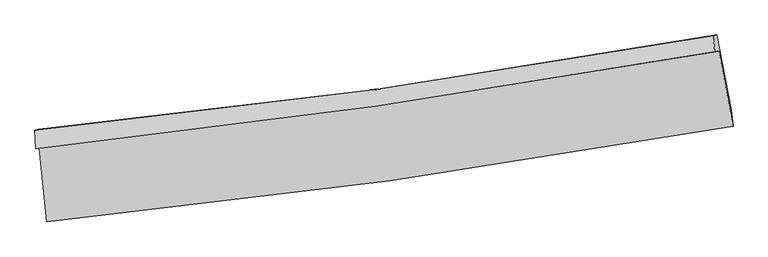
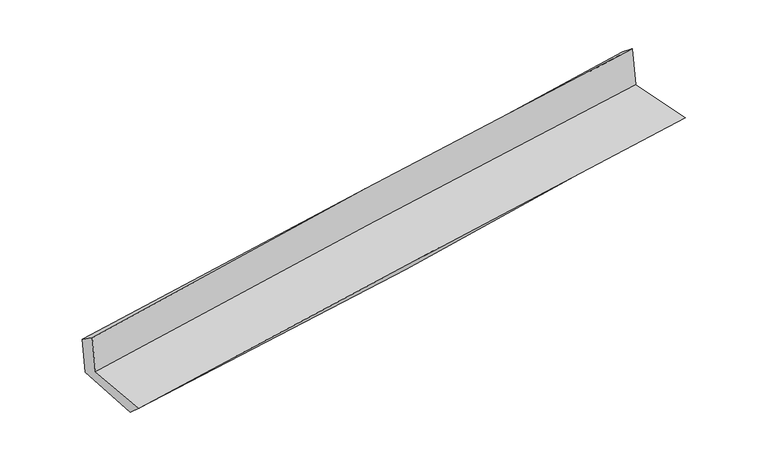
"""IFC4 building model written with IfcOpenShell, lengths in millimetres: proxy geometry."""

from ifc_helpers import new_model, si_unit, frame, origin, place, context, project, spatial, source, transform, mapped, element, save
from ifc_brep_helpers import plane_surface, spline_curve, spline_surface, advanced_brep


def generic_models_8e416379(model_context):
    return source(origin(), model_context, "Body", "AdvancedBrep", [
        advanced_brep(
        [(-2997.7231782, -1913.1865743, 1642.7629092), (-2933.5484936, -2560.0062483, 1624.1536199), (3079.0461081, -1722.3102063, 2114.1298621), (2955.9554452, -1063.9134707, 2114.3387823), (-3032.0112694, -1918.6339082, 2021.1988178), (2918.6637694, -1069.1825034, 2515.6173065), (-3037.4494872, -1754.5267424, 1908.0462615), (2903.0997272, -927.2687246, 2400.6831743), (-3004.0607642, -1748.4353006, 1538.7105132), (2935.7527326, -921.3381512, 2046.7384734), (-2935.461167, -2411.6686641, 1489.2314444), (3062.4528126, -1576.6662496, 2002.6761997)],
        [
            (0, 1),
            (1, 2, spline_curve(3, [(-2933.5484936, -2560.0062483, 1624.1536199), (-1932.108539692, -2459.196222775, 1745.861044773), (-931.227833762, -2339.141416798, 1847.509284544), (1072.974353483, -2060.046596962, 2010.977698887), (2076.291847982, -1900.869389188, 2072.654873186), (3079.0461081, -1722.3102063, 2114.1298621)], [4, 2, 4], [0.0, 9.930068262245507, 19.895468969803])),
            (2, 3),
            (3, 0, spline_curve(3, [(2955.9554452, -1063.9134707, 2114.3387823), (1962.30440822, -1240.215724847, 2080.571276785), (968.457560326, -1399.234657406, 2024.279815784), (-1016.103366998, -1682.203352522, 1866.928423202), (-2006.816060275, -1806.275454923, 1766.027926515), (-2997.7231782, -1913.1865743, 1642.7629092)], [4, 2, 4], [0.0, 9.965400707557494, 19.895468969803])),
            (4, 0),
            (3, 5),
            (5, 4, spline_curve(3, [(2918.6637694, -1069.1825034, 2515.6173065), (1929.368614479, -1244.902779861, 2484.040937777), (937.94702857, -1403.646151273, 2426.932781171), (-1045.6263694, -1686.676449654, 2261.945892524), (-2037.763129735, -1811.083546274, 2154.24788643), (-3032.0112694, -1918.6339082, 2021.1988178)], [4, 2, 4], [0.0, 9.917305264180438, 19.799448606008553])),
            (6, 4),
            (5, 7),
            (7, 6, spline_curve(3, [(2903.0997272, -927.2687246, 2400.6831743), (1914.496309596, -1106.122182048, 2339.228630575), (924.266796361, -1264.573338336, 2267.356909177), (-1055.927785046, -1540.181594227, 2103.070867281), (-2045.881343584, -1657.483110612, 2010.730284365), (-3037.4494872, -1754.5267424, 1908.0462615)], [4, 2, 4], [0.0, 9.904412066847444, 19.773707924325215])),
            (8, 6),
            (7, 9),
            (9, 8, spline_curve(3, [(2935.7527326, -921.3381512, 2046.7384734), (1948.942752247, -1099.866258237, 1964.48124946), (959.669892965, -1258.141575007, 1880.939512744), (-1020.285372651, -1533.697266305, 1711.587767119), (-2010.950345647, -1651.120999735, 1625.786850104), (-3004.0607642, -1748.4353006, 1538.7105132)], [4, 2, 4], [0.0, 9.892730717876931, 19.750386642744232])),
            (10, 8),
            (9, 11),
            (11, 10, spline_curve(3, [(3062.4528126, -1576.6662496, 2002.6761997), (2065.452898579, -1753.274713793, 1919.763378964), (1066.235201911, -1911.253027413, 1835.441421647), (-933.08515645, -2189.455292838, 1664.283195552), (-1933.172119512, -2309.811117285, 1577.456900773), (-2935.461167, -2411.6686641, 1489.2314444)], [4, 2, 4], [0.0, 9.941164011956044, 19.84708151008916])),
            (1, 10),
            (11, 2),
        ],
        [
            spline_surface(3, 3, [[(-2997.7231782, -1913.1865743, 1642.7629092), (-2006.816060225, -1806.275454894, 1766.027926662), (-1016.103366918, -1682.203352636, 1866.928423263), (968.457560245, -1399.234657293, 2024.279815724), (1962.304408087, -1240.215724997, 2080.571276816), (2955.9554452, -1063.9134707, 2114.3387823)], [(-2976.331616673, -2128.79313231, 1636.559812749), (-1981.913553431, -2023.915710888, 1759.305632658), (-987.811522553, -1901.182707297, 1860.455377032), (1003.296491355, -1619.505303869, 2019.845776767), (2000.300221441, -1460.433613081, 2077.932475542), (2996.985666171, -1283.379049237, 2114.269142213)], [(-2954.940055127, -2344.39969029, 1630.356716351), (-1957.011046618, -2241.555966851, 1752.583338709), (-959.519678203, -2120.162062018, 1853.982330805), (1038.13542245, -1839.775950504, 2015.411737814), (2038.296034782, -1680.651501155, 2075.293674327), (3038.015887129, -1502.844627763, 2114.199502187)], [(-2933.5484936, -2560.0062483, 1624.1536199), (-1932.108539824, -2459.196222845, 1745.861044706), (-931.227833839, -2339.14141668, 1847.509284574), (1072.97435356, -2060.04659708, 2010.977698857), (2076.291848136, -1900.869389239, 2072.654873053), (3079.0461081, -1722.3102063, 2114.1298621)]], [4, 4], [4, 2, 4], [0.0, 2.184572790364563], [0.0, 9.930068262245507, 19.895468969803]),
            spline_surface(3, 3, [[(-3032.0112694, -1918.6339082, 2021.1988178), (-2037.763129738, -1811.08354629, 2154.247886433), (-1045.626369485, -1686.676449494, 2261.945892613), (937.947028655, -1403.646151433, 2426.932781082), (1929.368614609, -1244.902779995, 2484.040937778), (2918.6637694, -1069.1825034, 2515.6173065)], [(-3020.581905644, -1916.81813023, 1895.053514953), (-2027.447439878, -1809.480849155, 2024.841233196), (-1035.785368634, -1685.18541722, 2130.273402838), (948.117205846, -1402.175653398, 2292.715125972), (1940.347212419, -1243.340428353, 2349.551050801), (2931.094327984, -1067.426159191, 2381.857798444)], [(-3009.152541956, -1915.00235227, 1768.908212047), (-2017.131750085, -1807.878152029, 1895.434579899), (-1025.944367768, -1683.69438491, 1998.600913037), (958.287383053, -1400.705155328, 2158.497470834), (1951.325810276, -1241.778076639, 2215.061163793), (2943.524886616, -1065.669814909, 2248.098290356)], [(-2997.7231782, -1913.1865743, 1642.7629092), (-2006.816060225, -1806.275454894, 1766.027926662), (-1016.103366918, -1682.203352636, 1866.928423263), (968.457560245, -1399.234657293, 2024.279815724), (1962.304408087, -1240.215724997, 2080.571276816), (2955.9554452, -1063.9134707, 2114.3387823)]], [4, 4], [4, 2, 4], [0.0, 1.3123407570854237], [0.0, 9.882143341828115, 19.799448606008553]),
            spline_surface(3, 3, [[(-3037.4494872, -1754.5267424, 1908.0462615), (-2045.881343535, -1657.48311066, 2010.730284514), (-1055.9277852, -1540.181594218, 2103.070867344), (924.266796516, -1264.573338345, 2267.356909114), (1914.496309631, -1106.122182189, 2339.228630546), (2903.0997272, -927.2687246, 2400.6831743)], [(-3035.636747938, -1809.22913101, 1945.763780264), (-2043.175272274, -1708.68325588, 2058.569485152), (-1052.493979942, -1589.01321263, 2156.02920909), (928.826873915, -1310.930942695, 2320.548866427), (1919.45374464, -1152.382381453, 2387.499399631), (2908.287741284, -974.573317528, 2438.994551708)], [(-3033.824008662, -1863.93151959, 1983.481299036), (-2040.469200998, -1759.883401069, 2106.408685796), (-1049.060174743, -1637.844831082, 2208.987550867), (933.386951255, -1357.288547084, 2373.74082377), (1924.411179599, -1198.642580732, 2435.770168693), (2913.475755316, -1021.877910472, 2477.305929092)], [(-3032.0112694, -1918.6339082, 2021.1988178), (-2037.763129738, -1811.08354629, 2154.247886433), (-1045.626369485, -1686.676449494, 2261.945892613), (937.947028655, -1403.646151433, 2426.932781082), (1929.368614609, -1244.902779995, 2484.040937778), (2918.6637694, -1069.1825034, 2515.6173065)]], [4, 4], [4, 2, 4], [0.0, 0.7027470738879781], [0.0, 9.869295857477772, 19.773707924325215]),
            spline_surface(3, 3, [[(-3004.0607642, -1748.4353006, 1538.7105132), (-2010.950345668, -1651.120999574, 1625.786850232), (-1020.285372671, -1533.697266344, 1711.587767048), (959.669892985, -1258.141574968, 1880.939512815), (1948.94275222, -1099.866258397, 1964.481249389), (2935.7527326, -921.3381512, 2046.7384734)], [(-3015.190338537, -1750.465781201, 1661.822429292), (-2022.594011628, -1653.24170327, 1754.101328319), (-1032.166176854, -1535.858708993, 1842.082133815), (947.868860822, -1260.285496118, 2009.745311583), (1937.460604677, -1101.951566328, 2089.397043097), (2924.868397453, -923.315009, 2164.720040356)], [(-3026.319912863, -1752.496261799, 1784.934345408), (-2034.237677576, -1655.362406964, 1882.415806428), (-1044.046981017, -1538.020151569, 1972.576500577), (936.067828679, -1262.429417196, 2138.551110346), (1925.978457174, -1104.036874259, 2214.312836837), (2913.984062347, -925.2918668, 2282.701607344)], [(-3037.4494872, -1754.5267424, 1908.0462615), (-2045.881343535, -1657.48311066, 2010.730284514), (-1055.9277852, -1540.181594218, 2103.070867344), (924.266796516, -1264.573338345, 2267.356909114), (1914.496309631, -1106.122182189, 2339.228630546), (2903.0997272, -927.2687246, 2400.6831743)]], [4, 4], [4, 2, 4], [0.0, 1.2815397860750353], [0.0, 9.8576559248673, 19.750386642744232]),
            spline_surface(3, 3, [[(-2935.461167, -2411.6686641, 1489.2314444), (-1933.172119453, -2309.811117418, 1577.456900851), (-933.085156443, -2189.455292891, 1664.283195456), (1066.235201904, -1911.253027359, 1835.441421743), (2065.452898744, -1753.274713735, 1919.763378874), (3062.4528126, -1576.6662496, 2002.6761997)], [(-2958.327699407, -2190.590876254, 1505.724467338), (-1959.098194865, -2090.247744791, 1593.566883983), (-962.151895202, -1970.869284049, 1680.051385987), (1030.713432248, -1693.549209902, 1850.6074521), (2026.616183239, -1535.471895285, 1934.669335707), (3020.219452603, -1358.223550129, 2017.363624261)], [(-2981.194231793, -1969.513088446, 1522.217490262), (-1985.024270257, -1870.684372201, 1609.6768671), (-991.218633912, -1752.283275187, 1695.819576518), (995.191662641, -1475.845392426, 1865.773482458), (1987.779467725, -1317.669076847, 1949.575292555), (2977.986092597, -1139.780850671, 2032.051048839)], [(-3004.0607642, -1748.4353006, 1538.7105132), (-2010.950345668, -1651.120999574, 1625.786850232), (-1020.285372671, -1533.697266344, 1711.587767048), (959.669892985, -1258.141574968, 1880.939512815), (1948.94275222, -1099.866258397, 1964.481249389), (2935.7527326, -921.3381512, 2046.7384734)]], [4, 4], [4, 2, 4], [0.0, 2.1758287222353694], [0.0, 9.905917498133118, 19.84708151008916]),
            spline_surface(3, 3, [[(-2933.5484936, -2560.0062483, 1624.1536199), (-1932.108539824, -2459.196222845, 1745.861044706), (-931.227833839, -2339.14141668, 1847.509284574), (1072.97435356, -2060.04659708, 2010.977698857), (2076.291848136, -1900.869389239, 2072.654873053), (3079.0461081, -1722.3102063, 2114.1298621)], [(-2934.186051401, -2510.560386894, 1579.179561403), (-1932.463066367, -2409.401187697, 1689.726330091), (-931.84694137, -2289.246042074, 1786.433921536), (1070.727969678, -2010.448740497, 1952.465606487), (2072.67886501, -1851.671164053, 2021.691041677), (3073.515009604, -1673.762220715, 2076.978641317)], [(-2934.823609199, -2461.114525506, 1534.205502897), (-1932.817592909, -2359.606152567, 1633.591615466), (-932.466048911, -2239.350667497, 1725.358558494), (1068.481585786, -1960.850883942, 1893.953514113), (2069.065881871, -1802.472938921, 1970.72721025), (3067.983911096, -1625.214235185, 2039.827420483)], [(-2935.461167, -2411.6686641, 1489.2314444), (-1933.172119453, -2309.811117418, 1577.456900851), (-933.085156443, -2189.455292891, 1664.283195456), (1066.235201904, -1911.253027359, 1835.441421743), (2065.452898744, -1753.274713735, 1919.763378874), (3062.4528126, -1576.6662496, 2002.6761997)]], [4, 4], [4, 2, 4], [0.0, 0.7656615236740947], [0.0, 9.965217122906942, 19.96589175524067]),
            plane_surface(frame((2975.8284325, -1213.446551, 2199.0306331), z_axis=(0.9786818450992397, 0.18293999229173719, 0.0933531214981424), x_axis=(-0.09185165930056013, -0.01668247684950133, 0.9956329482544758))),
            plane_surface(frame((-2990.0423933, -2051.0762397, 1704.017261), z_axis=(-0.9912226240178641, -0.09572137400970647, -0.09118732473778338), x_axis=(-0.09869053703205191, 0.9947065795406412, 0.0286181501652919))),
        ],
        [
            (0, [[1, 2, 3, 4]]),
            (1, [[5, -4, 6, 7]]),
            (2, [[8, -7, 9, 10]]),
            (3, [[11, -10, 12, 13]]),
            (4, [[14, -13, 15, 16]]),
            (5, [[17, -16, 18, -2]]),
            (6, [[-12, -9, -6, -3, -18, -15]]),
            (7, [[-1, -5, -8, -11, -14, -17]]),
        ],
    ),
    ])


if __name__ == "__main__":
    model = new_model("IFC4")
    model_context = context("Model", 3, world=origin())
    ifc_project = project(units=[si_unit("LENGTHUNIT", "METRE", prefix="MILLI")], contexts=[model_context])
    site = spatial("IfcSite", under=ifc_project)
    building = spatial("IfcBuilding", under=site)
    placement = place(None, origin())
    generic_models_shape = generic_models_8e416379(model_context)
    element("IfcBuildingElementProxy", 1, Name="Generic Models", at=placement, inside=building, context=model_context, shape_type="MappedRepresentation", body=[
        mapped(generic_models_shape, transform((0.0, 0.0, 0.0), x_axis=(1.0, 0.0, 0.0), y_axis=(0.0, 1.0, 0.0), z_axis=(0.0, 0.0, 1.0))),
    ])
    save(model, "model.ifc")
